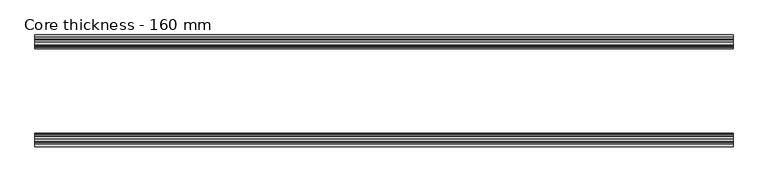
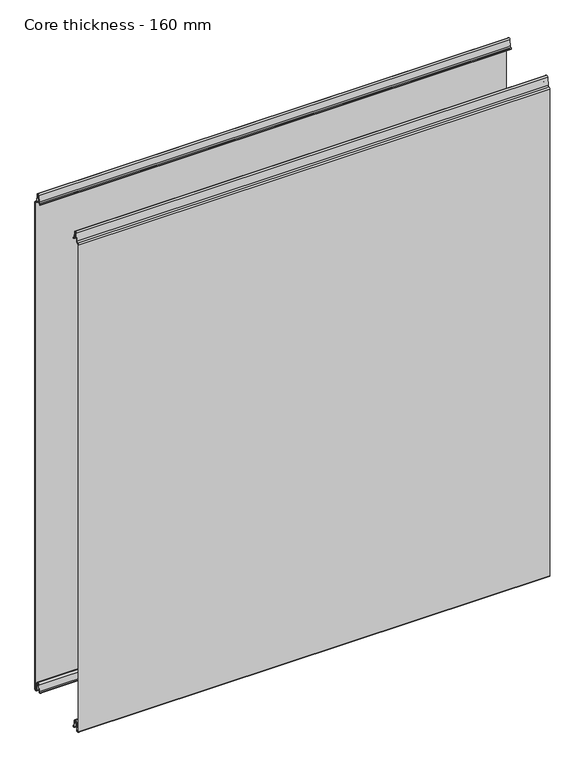
"""IFC4 building model written with IfcOpenShell, lengths in millimetres: plate geometry, Core thickness - 160 mm."""

import ifcopenshell
import ifcopenshell.guid

model = None  # the IFC model being written
_history = None  # IfcOwnerHistory: only IFC2X3 demands one
_inside = {}  # id of a spatial element -> (the spatial element, [elements in it])
_under = {}  # id of a project, library or spatial element -> (it, [spatial elements below it])
_declared = {}  # id of a project -> (the project, [libraries it declares])
_typed = {}  # id of a type object -> (the type object, [elements of that type])
_made_of = {}  # id of a material, layer set ... -> (it, [elements and type objects made of it])


def new_model(schema):
    """Start an empty IFC model of exactly this schema.

    Asked for "IFC4X3", IfcOpenShell would pick the latest addendum, in which some entities
    have other attributes; the version numbers below select the first issue.
    IFC2X3 requires an IfcOwnerHistory on every rooted entity: one is made here for all.
    """
    global model, _history
    if schema == "IFC4X3":
        model = ifcopenshell.file(schema_version=(4, 3, 0, 0))
    else:
        model = ifcopenshell.file(schema=schema)
    _inside.clear()
    _under.clear()
    _declared.clear()
    _typed.clear()
    _made_of.clear()
    _history = None
    if model.schema == "IFC2X3":
        org = make("IfcOrganization", Name="unknown")
        user = make(
            "IfcPersonAndOrganization",
            ThePerson=make("IfcPerson", FamilyName="unknown"),
            TheOrganization=org,
        )
        app = make(
            "IfcApplication",
            ApplicationDeveloper=org,
            Version="unknown",
            ApplicationFullName="unknown",
            ApplicationIdentifier="unknown",
        )
        _history = make(
            "IfcOwnerHistory",
            OwningUser=user,
            OwningApplication=app,
            ChangeAction="ADDED",
            CreationDate=0,
        )
    return model


def make(cls, **values):
    """One entity of the class cls with the attributes given. An attribute that is None is left unset."""
    return model.create_entity(
        cls, **{name: value for name, value in values.items() if value is not None}
    )


def rooted(cls, **values):
    """An entity with a GlobalId (a new one), such as an element, a storey or a relation."""
    return make(cls, GlobalId=ifcopenshell.guid.new(), OwnerHistory=_history, **values)


def si_unit(unit_type, name, prefix=None):
    """IfcSIUnit, for example si_unit("LENGTHUNIT", "METRE", prefix="MILLI")."""
    return make("IfcSIUnit", UnitType=unit_type, Prefix=prefix, Name=name)


def assignment(units):
    """IfcUnitAssignment: the units of a project."""
    return None if units is None else make("IfcUnitAssignment", Units=units)


def point(xyz):
    """IfcCartesianPoint."""
    return None if xyz is None else make("IfcCartesianPoint", Coordinates=xyz)


def direction(xyz):
    """IfcDirection."""
    return None if xyz is None else make("IfcDirection", DirectionRatios=xyz)


def frame(location, z_axis=None, x_axis=None):
    """IfcAxis2Placement3D, a coordinate frame: its origin and axes. An axis left out is left unset."""
    return make(
        "IfcAxis2Placement3D",
        Location=point(location),
        Axis=direction(z_axis),
        RefDirection=direction(x_axis),
    )


def origin():
    """The frame at (0, 0, 0) with its axes left unset."""
    return frame((0.0, 0.0, 0.0))


def place(relative_to, where):
    """IfcLocalPlacement: puts the frame where relative to a parent placement (None: the world)."""
    return make(
        "IfcLocalPlacement", PlacementRelTo=relative_to, RelativePlacement=where
    )


def context(
    kind, dimensions, precision=None, world=None, true_north=None, identifier=None
):
    """IfcGeometricRepresentationContext, for example the 3D "Model" context."""
    return make(
        "IfcGeometricRepresentationContext",
        ContextIdentifier=identifier,
        ContextType=kind,
        CoordinateSpaceDimension=dimensions,
        Precision=precision,
        WorldCoordinateSystem=world,
        TrueNorth=true_north,
    )


def project(units=None, contexts=None):
    """IfcProject with its units and contexts."""
    return rooted(
        "IfcProject",
        Name="project",
        RepresentationContexts=contexts,
        UnitsInContext=assignment(units),
    )


def spatial(cls, under=None, at=None, **own):
    """A site, building, storey or space (cls), placed at a placement, below another one or the project."""
    s = rooted(cls, ObjectPlacement=at, **own)
    if under is not None:
        _under.setdefault(under.id(), (under, []))[1].append(s)
    return s


def polyline(points):
    """IfcPolyline through the points."""
    return make("IfcPolyline", Points=[point(p) for p in points])


def circle_curve(where, radius):
    """IfcCircle in the frame where."""
    return make("IfcCircle", Position=where, Radius=radius)


def shape(context_of_items, identifier, shape_type, items):
    """IfcShapeRepresentation: the items that make up one representation, for example the "Body"."""
    return make(
        "IfcShapeRepresentation",
        ContextOfItems=context_of_items,
        RepresentationIdentifier=identifier,
        RepresentationType=shape_type,
        Items=items,
    )


def source(mapping_origin, context_of_items, identifier, shape_type, items):
    """IfcRepresentationMap: a shape defined once, which mapped items show again and again."""
    return make(
        "IfcRepresentationMap",
        MappingOrigin=mapping_origin,
        MappedRepresentation=shape(context_of_items, identifier, shape_type, items),
    )


def transform(
    local_origin,
    x_axis=None,
    y_axis=None,
    z_axis=None,
    scale=None,
    scale2=None,
    scale3=None,
    uniform=True,
):
    """IfcCartesianTransformationOperator3D, or its non-uniform kind. x_axis, y_axis, z_axis: its Axis1, 2, 3."""
    if uniform:
        return make(
            "IfcCartesianTransformationOperator3D",
            Axis1=direction(x_axis),
            Axis2=direction(y_axis),
            LocalOrigin=point(local_origin),
            Scale=scale,
            Axis3=direction(z_axis),
        )
    return make(
        "IfcCartesianTransformationOperator3DnonUniform",
        Axis1=direction(x_axis),
        Axis2=direction(y_axis),
        LocalOrigin=point(local_origin),
        Scale=scale,
        Axis3=direction(z_axis),
        Scale2=scale2,
        Scale3=scale3,
    )


def mapped(mapping_source, mapping_target):
    """IfcMappedItem: shows the shape of a source again, moved by a transform."""
    return make(
        "IfcMappedItem", MappingSource=mapping_source, MappingTarget=mapping_target
    )


def made_of(thing, what):
    """Note that an element or type object is made of a material, layer set ...; save() writes the relation."""
    if what is not None:
        _made_of.setdefault(what.id(), (what, []))[1].append(thing)
    return thing


def element(
    cls,
    number,
    at=None,
    inside=None,
    cuts=None,
    type_object=None,
    material=None,
    context=None,
    identifier="Body",
    shape_type=None,
    held_by="IfcProductDefinitionShape",
    body=None,
    shapes=None,
    **own,
):
    """One element of the class cls, such as IfcWall. Its Tag is "e" and its number.

    at: its placement. inside: the storey or other place that contains it. cuts: it is an
    opening in that element (IfcRelVoidsElement). A single representation is given by context,
    identifier, shape_type and body (its items); several are given by shapes. held_by: the class
    of the entity that holds the representations. save() writes the other relations.
    """
    e = rooted(cls, Tag="e%d" % number, ObjectPlacement=at, **own)
    if body is not None:
        shapes = [shape(context, identifier, shape_type, body)]
    if shapes is not None:
        e.Representation = make(held_by, Representations=shapes)
    if inside is not None:
        _inside.setdefault(inside.id(), (inside, []))[1].append(e)
    if cuts is not None:
        rooted(
            "IfcRelVoidsElement", RelatingBuildingElement=cuts, RelatedOpeningElement=e
        )
    if type_object is not None:
        _typed.setdefault(type_object.id(), (type_object, []))[1].append(e)
    return made_of(e, material)


def aggregate(whole, parts):
    """IfcRelAggregates: a whole, such as a stair, and the parts it consists of."""
    return rooted("IfcRelAggregates", RelatingObject=whole, RelatedObjects=parts)


def save(model, path):
    """Write the relations noted so far, then the file.

    IfcRelAggregates (storeys below a building ...), IfcRelContainedInSpatialStructure (elements
    in a storey), IfcRelDefinesByType, IfcRelAssociatesMaterial and IfcRelDeclares: one each for
    every whole, place, type object, material and project.
    """
    for whole, parts in _under.values():
        aggregate(whole, parts)
    for where, things in _inside.values():
        rooted(
            "IfcRelContainedInSpatialStructure",
            RelatedElements=things,
            RelatingStructure=where,
        )
    for kind, things in _typed.values():
        rooted("IfcRelDefinesByType", RelatedObjects=things, RelatingType=kind)
    for what, things in _made_of.values():
        rooted("IfcRelAssociatesMaterial", RelatedObjects=things, RelatingMaterial=what)
    for by, libraries in _declared.values():
        rooted("IfcRelDeclares", RelatingContext=by, RelatedDefinitions=libraries)
    model.write(path)


def plane_surface(at):
    """IfcPlane: the flat surface through the origin of the frame at, square to its z axis."""
    return make("IfcPlane", Position=at)


def cylinder_surface(at, radius):
    """IfcCylindricalSurface: all points at the distance radius from the z axis of the frame at."""
    return make("IfcCylindricalSurface", Position=at, Radius=radius)


def revolved_surface(curve, axis_point, axis_direction):
    """IfcSurfaceOfRevolution: the curve turned about the line through axis_point along axis_direction."""
    return make(
        "IfcSurfaceOfRevolution",
        SweptCurve=make("IfcArbitraryOpenProfileDef", ProfileType="CURVE", Curve=curve),
        AxisPosition=make("IfcAxis1Placement", Location=point(axis_point), Axis=direction(axis_direction)),
    )


def advanced_brep(points, edges, surfaces, faces):
    """IfcAdvancedBrep: a solid bounded by faces that lie on surfaces and meet in shared edges.

    An edge is (start, end): straight between two places in points (the first is 0);
    or (start, end, curve); or (start, end, curve, False) where it runs against its curve.
    A face is (place in surfaces, loops), or (place, loops, False) where it looks against
    its surface's normal. A loop lists edges by number (the first is 1), with a minus sign
    where the edge is run from its end to its start. The first loop is the outer one.
    """
    corners = [point(p) for p in points]
    vertices = [make("IfcVertexPoint", VertexGeometry=c) for c in corners]
    made = []
    for start, end, *more in edges:
        made.append(
            make(
                "IfcEdgeCurve",
                EdgeStart=vertices[start],
                EdgeEnd=vertices[end],
                EdgeGeometry=more[0] if more else make("IfcPolyline", Points=[corners[start], corners[end]]),
                SameSense=more[1] if len(more) > 1 else True,
            )
        )
    hull = []
    for where, loops, *sense in faces:
        bounds = []
        for j, loop in enumerate(loops):
            ring = [make("IfcOrientedEdge", EdgeElement=made[abs(k) - 1], Orientation=k > 0) for k in loop]
            bounds.append(
                make(
                    "IfcFaceOuterBound" if j == 0 else "IfcFaceBound",
                    Bound=make("IfcEdgeLoop", EdgeList=ring),
                    Orientation=True,
                )
            )
        hull.append(make("IfcAdvancedFace", Bounds=bounds, FaceSurface=surfaces[where], SameSense=sense[0] if sense else True))
    return make("IfcAdvancedBrep", Outer=make("IfcClosedShell", CfsFaces=hull))


def core_thickness_160_mm_ad430800(model_context):
    return source(origin(), model_context, "Body", "AdvancedBrep", [
        advanced_brep(
        [(500.0000002, -159.1996949, 1093.8000005), (500.0000002, -156.6339815, 1096.1942726), (500.0000002, -153.1209335, 1099.1779769), (500.0000002, -151.4584333, 1116.1334653), (500.0000002, -149.1776715, 1118.1999998), (500.0000002, -146.8969097, 1116.1334653), (500.0000002, -145.5642071, 1102.5415123), (500.0000002, -142.9766159, 1100.1952279), (500.0000002, -141.8996949, 1100.1952279), (500.0000002, -141.2996949, 1099.5952279), (500.0000002, -141.2996949, 1098.4952279), (500.0000002, -140.4996949, 1098.4952279), (500.0000002, -140.4996949, 1099.5952279), (500.0000002, -141.8996949, 1100.9952279), (500.0000002, -142.9766159, 1100.9952279), (500.0000002, -144.7680252, 1102.6195786), (500.0000002, -146.1007278, 1116.2115316), (500.0000002, -149.1776715, 1119.0), (500.0000002, -152.2546153, 1116.2115316), (500.0000002, -153.9171154, 1099.2560432), (500.0000002, -156.5778021, 1097.005967), (500.0000002, -159.9996949, 1093.8000005), (500.0000002, -159.9996949, 2.9900682), (500.0000002, -153.81449, 2.6875612), (500.0000002, -152.197116, 19.1828169), (500.0000002, -149.1776715, 21.8898782), (500.0000002, -146.1582271, 19.1828169), (500.0000002, -144.7725998, 5.0510966), (500.0000002, -140.3830995, 5.265779), (500.0000002, -141.1830995, 5.265779), (500.0000002, -143.9764178, 5.1291629), (500.0000002, -145.3620451, 19.2608832), (500.0000002, -149.1776715, 22.6899182), (500.0000002, -152.9932979, 19.2608832), (500.0000002, -154.6106719, 2.7656275), (500.0000002, -159.1996949, 2.9900682), (-500.0000002, -159.2, 1093.8000005), (-500.0000002, -159.2, 2.9900682), (-500.0000002, -154.6106719, 2.7656275), (-500.0000002, -152.9932979, 19.2608832), (-500.0000002, -149.1776715, 22.6899182), (-500.0000002, -145.3620451, 19.2608832), (-500.0000002, -143.9764178, 5.1291629), (-500.0000002, -141.1830995, 5.265779), (-500.0000002, -140.3830995, 5.265779), (-500.0000002, -144.7725998, 5.0510966), (-500.0000002, -146.1582271, 19.1828169), (-500.0000002, -149.1776715, 21.8898782), (-500.0000002, -152.197116, 19.1828169), (-500.0000002, -153.81449, 2.6875612), (-500.0000002, -159.9996949, 2.9900682), (-500.0000002, -159.9996949, 1093.8000005), (-500.0000002, -156.5787437, 1096.9923633), (-500.0000002, -153.9171154, 1099.2560432), (-500.0000002, -152.2546153, 1116.2115316), (-500.0000002, -149.1776715, 1119.0), (-500.0000002, -146.1007278, 1116.2115316), (-500.0000002, -144.7680252, 1102.6195786), (-500.0000002, -142.9766159, 1100.9952279), (-500.0000002, -141.8996949, 1100.9952279), (-500.0000002, -140.4996949, 1099.5952279), (-500.0000002, -140.4996949, 1098.4952279), (-500.0000002, -141.2996949, 1098.4952279), (-500.0000002, -141.2996949, 1099.5952279), (-500.0000002, -141.8996949, 1100.1952279), (-500.0000002, -142.9766159, 1100.1952279), (-500.0000002, -145.5642071, 1102.5415123), (-500.0000002, -146.8969097, 1116.1334653), (-500.0000002, -149.1776715, 1118.1999998), (-500.0000002, -151.4584333, 1116.1334653), (-500.0000002, -153.1209335, 1099.1779769), (-500.0000002, -156.6330399, 1096.2078763)],
        [
            (0, 1, circle_curve(frame((500.0000002, -156.7996949, 1093.8000005), z_axis=(-1.0, 0.0, 0.0), x_axis=(0.0, 0.0, -1.0)), 2.4)),
            (1, 2, circle_curve(frame((500.0000002, -156.4051839, 1099.5000005), z_axis=(1.0, 0.0, 0.0), x_axis=(0.0, 0.0, -1.0)), 3.3)),
            (2, 3),
            (3, 4, circle_curve(frame((500.0000002, -149.1793626, 1115.9100005), z_axis=(-1.0, 0.0, 0.0), x_axis=(0.0, 0.0, -1.0)), 2.29)),
            (4, 5, circle_curve(frame((500.0000002, -149.1759805, 1115.9100005), z_axis=(-1.0, 0.0, 0.0), x_axis=(0.0, 0.0, -1.0)), 2.29)),
            (5, 6),
            (6, 7, circle_curve(frame((500.0000002, -142.9766159, 1102.7952279), z_axis=(1.0, 0.0, 0.0), x_axis=(0.0, 0.0, -1.0)), 2.6)),
            (7, 8),
            (8, 9, circle_curve(frame((500.0000002, -141.8996949, 1099.5952279), z_axis=(-1.0, 0.0, 0.0), x_axis=(0.0, 0.0, -1.0)), 0.6)),
            (9, 10),
            (10, 11),
            (11, 12),
            (12, 13, circle_curve(frame((500.0000002, -141.8996949, 1099.5952279), z_axis=(1.0, 0.0, 0.0), x_axis=(0.0, 0.0, -1.0)), 1.4)),
            (13, 14),
            (14, 15, circle_curve(frame((500.0000002, -142.9766159, 1102.7952279), z_axis=(-1.0, 0.0, 0.0), x_axis=(0.0, 0.0, -1.0)), 1.8)),
            (15, 16),
            (16, 17, circle_curve(frame((500.0000002, -149.1759805, 1115.9100005), z_axis=(1.0, 0.0, 0.0), x_axis=(0.0, 0.0, -1.0)), 3.09)),
            (17, 18, circle_curve(frame((500.0000002, -149.1793626, 1115.9100005), z_axis=(1.0, 0.0, 0.0), x_axis=(0.0, 0.0, -1.0)), 3.09)),
            (18, 19),
            (19, 20, circle_curve(frame((500.0000002, -156.4051839, 1099.5000005), z_axis=(-1.0, 0.0, 0.0), x_axis=(0.0, 0.0, -1.0)), 2.5)),
            (20, 21, circle_curve(frame((500.0000002, -156.7996949, 1093.8000005), z_axis=(1.0, 0.0, 0.0), x_axis=(0.0, 0.0, -1.0)), 3.2)),
            (21, 22),
            (22, 23, circle_curve(frame((500.0000002, -156.8996949, 2.9900682), z_axis=(1.0, 0.0, 0.0), x_axis=(0.0, 0.0, -1.0)), 3.1)),
            (23, 24),
            (24, 25, circle_curve(frame((500.0000002, -149.2114338, 18.8900682), z_axis=(-1.0, 0.0, 0.0), x_axis=(0.0, 0.0, -1.0)), 3.0)),
            (25, 26, circle_curve(frame((500.0000002, -149.1439093, 18.8900682), z_axis=(-1.0, 0.0, 0.0), x_axis=(0.0, 0.0, -1.0)), 3.0)),
            (26, 27),
            (27, 28, circle_curve(frame((500.0000002, -142.5830995, 5.265779), z_axis=(1.0, 0.0, 0.0), x_axis=(0.0, 0.0, -1.0)), 2.2)),
            (28, 29),
            (29, 30, circle_curve(frame((500.0000002, -142.5830995, 5.265779), z_axis=(-1.0, 0.0, 0.0), x_axis=(0.0, 0.0, -1.0)), 1.4)),
            (30, 31),
            (31, 32, circle_curve(frame((500.0000002, -149.1439093, 18.8900682), z_axis=(1.0, 0.0, 0.0), x_axis=(0.0, 0.0, -1.0)), 3.8)),
            (32, 33, circle_curve(frame((500.0000002, -149.2114338, 18.8900682), z_axis=(1.0, 0.0, 0.0), x_axis=(0.0, 0.0, -1.0)), 3.8)),
            (33, 34),
            (34, 35, circle_curve(frame((500.0000002, -156.8996949, 2.9900682), z_axis=(-1.0, 0.0, 0.0), x_axis=(0.0, 0.0, -1.0)), 2.3)),
            (35, 0),
            (36, 37),
            (37, 38, circle_curve(frame((-500.0000002, -156.8996949, 2.9900682), z_axis=(1.0, 0.0, 0.0), x_axis=(0.0, 0.0, -1.0)), 2.3)),
            (38, 39),
            (39, 40, circle_curve(frame((-500.0000002, -149.2114338, 18.8900682), z_axis=(-1.0, 0.0, 0.0), x_axis=(0.0, 0.0, -1.0)), 3.8)),
            (40, 41, circle_curve(frame((-500.0000002, -149.1439093, 18.8900682), z_axis=(-1.0, 0.0, 0.0), x_axis=(0.0, 0.0, -1.0)), 3.8)),
            (41, 42),
            (42, 43, circle_curve(frame((-500.0000002, -142.5830995, 5.265779), z_axis=(1.0, 0.0, 0.0), x_axis=(0.0, 0.0, -1.0)), 1.4)),
            (43, 44),
            (44, 45, circle_curve(frame((-500.0000002, -142.5830995, 5.265779), z_axis=(-1.0, 0.0, 0.0), x_axis=(0.0, 0.0, -1.0)), 2.2)),
            (45, 46),
            (46, 47, circle_curve(frame((-500.0000002, -149.1439093, 18.8900682), z_axis=(1.0, 0.0, 0.0), x_axis=(0.0, 0.0, -1.0)), 3.0)),
            (47, 48, circle_curve(frame((-500.0000002, -149.2114338, 18.8900682), z_axis=(1.0, 0.0, 0.0), x_axis=(0.0, 0.0, -1.0)), 3.0)),
            (48, 49),
            (49, 50, circle_curve(frame((-500.0000002, -156.8996949, 2.9900682), z_axis=(-1.0, 0.0, 0.0), x_axis=(0.0, 0.0, -1.0)), 3.1)),
            (50, 51),
            (51, 52, circle_curve(frame((-500.0000002, -156.7996949, 1093.8000005), z_axis=(-1.0, 0.0, 0.0), x_axis=(0.0, 0.0, -1.0)), 3.2)),
            (52, 53, circle_curve(frame((-500.0000002, -156.4051839, 1099.5000005), z_axis=(1.0, 0.0, 0.0), x_axis=(0.0, 0.0, -1.0)), 2.5)),
            (53, 54),
            (54, 55, circle_curve(frame((-500.0000002, -149.1793626, 1115.9100005), z_axis=(-1.0, 0.0, 0.0), x_axis=(0.0, 0.0, -1.0)), 3.09)),
            (55, 56, circle_curve(frame((-500.0000002, -149.1759805, 1115.9100005), z_axis=(-1.0, 0.0, 0.0), x_axis=(0.0, 0.0, -1.0)), 3.09)),
            (56, 57),
            (57, 58, circle_curve(frame((-500.0000002, -142.9766159, 1102.7952279), z_axis=(1.0, 0.0, 0.0), x_axis=(0.0, 0.0, -1.0)), 1.8)),
            (58, 59),
            (59, 60, circle_curve(frame((-500.0000002, -141.8996949, 1099.5952279), z_axis=(-1.0, 0.0, 0.0), x_axis=(0.0, 0.0, -1.0)), 1.4)),
            (60, 61),
            (61, 62),
            (62, 63),
            (63, 64, circle_curve(frame((-500.0000002, -141.8996949, 1099.5952279), z_axis=(1.0, 0.0, 0.0), x_axis=(0.0, 0.0, -1.0)), 0.6)),
            (64, 65),
            (65, 66, circle_curve(frame((-500.0000002, -142.9766159, 1102.7952279), z_axis=(-1.0, 0.0, 0.0), x_axis=(0.0, 0.0, -1.0)), 2.6)),
            (66, 67),
            (67, 68, circle_curve(frame((-500.0000002, -149.1759805, 1115.9100005), z_axis=(1.0, 0.0, 0.0), x_axis=(0.0, 0.0, -1.0)), 2.29)),
            (68, 69, circle_curve(frame((-500.0000002, -149.1793626, 1115.9100005), z_axis=(1.0, 0.0, 0.0), x_axis=(0.0, 0.0, -1.0)), 2.29)),
            (69, 70),
            (70, 71, circle_curve(frame((-500.0000002, -156.4051839, 1099.5000005), z_axis=(-1.0, 0.0, 0.0), x_axis=(0.0, 0.0, -1.0)), 3.3)),
            (71, 36, circle_curve(frame((-500.0000002, -156.7996949, 1093.8000005), z_axis=(1.0, 0.0, 0.0), x_axis=(0.0, 0.0, -1.0)), 2.4)),
            (35, 37),
            (36, 0),
            (21, 51),
            (50, 22),
            (20, 52),
            (19, 53),
            (18, 54),
            (17, 55),
            (16, 56),
            (15, 57),
            (14, 58),
            (13, 59),
            (12, 60),
            (11, 61),
            (10, 62),
            (9, 63),
            (8, 64),
            (7, 65),
            (6, 66),
            (5, 67),
            (4, 68),
            (3, 69),
            (2, 70),
            (1, 71),
            (34, 38),
            (33, 39),
            (32, 40),
            (31, 41),
            (30, 42),
            (29, 43),
            (28, 44),
            (27, 45),
            (26, 46),
            (25, 47),
            (24, 48),
            (23, 49),
        ],
        [
            plane_surface(frame((500.0000002, -160.0, 0.0), z_axis=(1.0, 0.0, 0.0), x_axis=(0.0, 1.0, 0.0))),
            plane_surface(frame((-500.0000002, -160.0, 0.0), z_axis=(-1.0, 0.0, 0.0), x_axis=(0.0, 1.0, 0.0))),
            plane_surface(frame((500.0000002, -159.2, 2.9900682), z_axis=(0.0, 1.0, 0.0), x_axis=(-1.0, 0.0, 0.0))),
            plane_surface(frame((500.0000002, -159.9996949, 1093.8000005), z_axis=(0.0, -1.0, 0.0), x_axis=(-1.0, 0.0, 0.0))),
            cylinder_surface(frame((500.0000002, -156.7996949, 1093.8000005), z_axis=(1.0, 0.0, 0.0), x_axis=(0.0, 0.0, -1.0)), 3.2),
            revolved_surface(polyline([(-500.0000002, -156.4051839, 1097.0000005), (500.0000002, -156.4051839, 1097.0000005)]), (500.0000002, -156.4051839, 1099.5000005), (-1.0, 0.0, 0.0)),
            plane_surface(frame((500.0000002, -152.2546153, 1116.2115316), z_axis=(0.0, -0.9952273999818317, 0.0975828997591444), x_axis=(-1.0, 0.0, 0.0))),
            cylinder_surface(frame((500.0000002, -149.1793626, 1115.9100005), z_axis=(1.0, 0.0, 0.0), x_axis=(0.0, 0.0, -1.0)), 3.09),
            cylinder_surface(frame((500.0000002, -149.1759805, 1115.9100005), z_axis=(1.0, 0.0, 0.0), x_axis=(0.0, 0.0, -1.0)), 3.09),
            plane_surface(frame((500.0000002, -144.7680252, 1102.6195786), z_axis=(0.0, 0.9952273999818314, 0.0975828997591471), x_axis=(-1.0, 0.0, 0.0))),
            revolved_surface(polyline([(-500.0000002, -142.9766159, 1100.9952279000001), (500.0000002, -142.9766159, 1100.9952279000001)]), (500.0000002, -142.9766159, 1102.7952279), (-1.0, 0.0, 0.0)),
            plane_surface(frame((500.0000002, -141.8996949, 1100.9952279), z_axis=(0.0, 0.0, 1.0), x_axis=(-1.0, 0.0, 0.0))),
            cylinder_surface(frame((500.0000002, -141.8996949, 1099.5952279), z_axis=(1.0, 0.0, 0.0), x_axis=(0.0, 0.0, -1.0)), 1.4),
            plane_surface(frame((500.0000002, -140.4996949, 1098.4952279), z_axis=(0.0, 1.0, 0.0), x_axis=(-1.0, 0.0, 0.0))),
            plane_surface(frame((500.0000002, -141.2996949, 1098.4952279), z_axis=(0.0, 0.0, -1.0), x_axis=(-1.0, 0.0, 0.0))),
            plane_surface(frame((500.0000002, -141.2996949, 1099.5952279), z_axis=(0.0, -1.0, 0.0), x_axis=(-1.0, 0.0, 0.0))),
            revolved_surface(polyline([(-500.0000002, -141.8996949, 1098.9952279000001), (500.0000002, -141.8996949, 1098.9952279000001)]), (500.0000002, -141.8996949, 1099.5952279), (-1.0, 0.0, 0.0)),
            plane_surface(frame((500.0000002, -142.9766159, 1100.1952279), z_axis=(0.0, 0.0, -1.0), x_axis=(-1.0, 0.0, 0.0))),
            cylinder_surface(frame((500.0000002, -142.9766159, 1102.7952279), z_axis=(1.0, 0.0, 0.0), x_axis=(0.0, 0.0, -1.0)), 2.6),
            plane_surface(frame((500.0000002, -146.8969097, 1116.1334653), z_axis=(0.0, -0.9952273999818314, -0.09758289975914705), x_axis=(-1.0, 0.0, 0.0))),
            revolved_surface(polyline([(-500.0000002, -149.1759805, 1113.6200005), (500.0000002, -149.1759805, 1113.6200005)]), (500.0000002, -149.1759805, 1115.9100005), (-1.0, 0.0, 0.0)),
            revolved_surface(polyline([(-500.0000002, -149.1793626, 1113.6200005), (500.0000002, -149.1793626, 1113.6200005)]), (500.0000002, -149.1793626, 1115.9100005), (-1.0, 0.0, 0.0)),
            plane_surface(frame((500.0000002, -153.1209335, 1099.1779769), z_axis=(0.0, 0.9952273999818317, -0.09758289975914436), x_axis=(-1.0, 0.0, 0.0))),
            cylinder_surface(frame((500.0000002, -156.4051839, 1099.5000005), z_axis=(1.0, 0.0, 0.0), x_axis=(0.0, 0.0, -1.0)), 3.3),
            revolved_surface(polyline([(-500.0000002, -156.7996949, 1091.4000004999998), (500.0000002, -156.7996949, 1091.4000004999998)]), (500.0000002, -156.7996949, 1093.8000005), (-1.0, 0.0, 0.0)),
            revolved_surface(polyline([(-500.0000002, -156.8996949, 0.6900682000000002), (500.0000002, -156.8996949, 0.6900682000000002)]), (500.0000002, -156.8996949, 2.9900682), (-1.0, 0.0, 0.0)),
            plane_surface(frame((500.0000002, -152.9932979, 19.2608832), z_axis=(0.0, -0.9952273999818314, 0.09758289975914787), x_axis=(-1.0, 0.0, 0.0))),
            cylinder_surface(frame((500.0000002, -149.2114338, 18.8900682), z_axis=(1.0, 0.0, 0.0), x_axis=(0.0, 0.0, -1.0)), 3.8),
            cylinder_surface(frame((500.0000002, -149.1439093, 18.8900682), z_axis=(1.0, 0.0, 0.0), x_axis=(0.0, 0.0, -1.0)), 3.8),
            plane_surface(frame((500.0000002, -143.9764178, 5.1291629), z_axis=(0.0, 0.9952273999818297, 0.09758289975916531), x_axis=(-1.0, 0.0, 0.0))),
            revolved_surface(polyline([(-500.0000002, -142.5830995, 3.8657790000000003), (500.0000002, -142.5830995, 3.8657790000000003)]), (500.0000002, -142.5830995, 5.265779), (-1.0, 0.0, 0.0)),
            plane_surface(frame((500.0000002, -140.3830995, 5.265779), z_axis=(0.0, 0.0, 1.0), x_axis=(-1.0, 0.0, 0.0))),
            cylinder_surface(frame((500.0000002, -142.5830995, 5.265779), z_axis=(1.0, 0.0, 0.0), x_axis=(0.0, 0.0, -1.0)), 2.2),
            plane_surface(frame((500.0000002, -146.1582271, 19.1828169), z_axis=(0.0, -0.9952273999818296, -0.09758289975916527), x_axis=(-1.0, 0.0, 0.0))),
            revolved_surface(polyline([(-500.0000002, -149.1439093, 15.890068200000002), (500.0000002, -149.1439093, 15.890068200000002)]), (500.0000002, -149.1439093, 18.8900682), (-1.0, 0.0, 0.0)),
            revolved_surface(polyline([(-500.0000002, -149.2114338, 15.890068200000002), (500.0000002, -149.2114338, 15.890068200000002)]), (500.0000002, -149.2114338, 18.8900682), (-1.0, 0.0, 0.0)),
            plane_surface(frame((500.0000002, -153.81449, 2.6875612), z_axis=(0.0, 0.9952273999818314, -0.09758289975914787), x_axis=(-1.0, 0.0, 0.0))),
            cylinder_surface(frame((500.0000002, -156.8996949, 2.9900682), z_axis=(1.0, 0.0, 0.0), x_axis=(0.0, 0.0, -1.0)), 3.1),
        ],
        [
            (0, [[1, 2, 3, 4, 5, 6, 7, 8, 9, 10, 11, 12, 13, 14, 15, 16, 17, 18, 19, 20, 21, 22, 23, 24, 25, 26, 27, 28, 29, 30, 31, 32, 33, 34, 35, 36]]),
            (1, [[37, 38, 39, 40, 41, 42, 43, 44, 45, 46, 47, 48, 49, 50, 51, 52, 53, 54, 55, 56, 57, 58, 59, 60, 61, 62, 63, 64, 65, 66, 67, 68, 69, 70, 71, 72]]),
            (2, [[-36, 73, -37, 74]]),
            (3, [[-22, 75, -51, 76]]),
            (4, [[-21, 77, -52, -75]]),
            (5, [[-20, 78, -53, -77]]),
            (6, [[-19, 79, -54, -78]]),
            (7, [[-18, 80, -55, -79]]),
            (8, [[-17, 81, -56, -80]]),
            (9, [[-16, 82, -57, -81]]),
            (10, [[-15, 83, -58, -82]]),
            (11, [[-14, 84, -59, -83]]),
            (12, [[-13, 85, -60, -84]]),
            (13, [[-12, 86, -61, -85]]),
            (14, [[-11, 87, -62, -86]]),
            (15, [[-10, 88, -63, -87]]),
            (16, [[-9, 89, -64, -88]]),
            (17, [[-8, 90, -65, -89]]),
            (18, [[-7, 91, -66, -90]]),
            (19, [[-6, 92, -67, -91]]),
            (20, [[-5, 93, -68, -92]]),
            (21, [[-4, 94, -69, -93]]),
            (22, [[-3, 95, -70, -94]]),
            (23, [[-2, 96, -71, -95]]),
            (24, [[-1, -74, -72, -96]]),
            (25, [[-35, 97, -38, -73]]),
            (26, [[-34, 98, -39, -97]]),
            (27, [[-33, 99, -40, -98]]),
            (28, [[-32, 100, -41, -99]]),
            (29, [[-31, 101, -42, -100]]),
            (30, [[-30, 102, -43, -101]]),
            (31, [[-29, 103, -44, -102]]),
            (32, [[-28, 104, -45, -103]]),
            (33, [[-27, 105, -46, -104]]),
            (34, [[-26, 106, -47, -105]]),
            (35, [[-25, 107, -48, -106]]),
            (36, [[-24, 108, -49, -107]]),
            (37, [[-23, -76, -50, -108]]),
        ],
    ),
        advanced_brep(
        [(500.0000002, -0.8, 1093.8000005), (500.0000002, -0.8, 2.9900682), (500.0000002, -5.3893281, 2.7656275), (500.0000002, -7.0067021, 19.2608832), (500.0000002, -10.8223285, 22.6899182), (500.0000002, -14.6379549, 19.2608832), (500.0000002, -16.0235822, 5.1291629), (500.0000002, -18.8169005, 5.265779), (500.0000002, -19.6169005, 5.265779), (500.0000002, -15.2274002, 5.0510966), (500.0000002, -13.8417729, 19.1828169), (500.0000002, -10.8223285, 21.8898782), (500.0000002, -7.802884, 19.1828169), (500.0000002, -6.18551, 2.6875612), (500.0000002, -0.0003051, 2.9900682), (500.0000002, -0.0003051, 1093.8000005), (500.0000002, -3.4212563, 1096.9923633), (500.0000002, -6.0828846, 1099.2560432), (500.0000002, -7.7453847, 1116.2115316), (500.0000002, -10.8223285, 1119.0), (500.0000002, -13.8992722, 1116.2115316), (500.0000002, -15.2319748, 1102.6195786), (500.0000002, -17.0233841, 1100.9952279), (500.0000002, -18.1003051, 1100.9952279), (500.0000002, -19.5003051, 1099.5952279), (500.0000002, -19.5003051, 1098.4952279), (500.0000002, -18.7003051, 1098.4952279), (500.0000002, -18.7003051, 1099.5952279), (500.0000002, -18.1003051, 1100.1952279), (500.0000002, -17.0233841, 1100.1952279), (500.0000002, -14.4357929, 1102.5415123), (500.0000002, -13.1030903, 1116.1334653), (500.0000002, -10.8223285, 1118.1999998), (500.0000002, -8.5415667, 1116.1334653), (500.0000002, -6.8790665, 1099.1779769), (500.0000002, -3.3669601, 1096.2078763), (-500.0000002, -0.8003051, 1093.8000005), (-500.0000002, -3.3660185, 1096.1942726), (-500.0000002, -6.8790665, 1099.1779769), (-500.0000002, -8.5415667, 1116.1334653), (-500.0000002, -10.8223285, 1118.1999998), (-500.0000002, -13.1030903, 1116.1334653), (-500.0000002, -14.4357929, 1102.5415123), (-500.0000002, -17.0233841, 1100.1952279), (-500.0000002, -18.1003051, 1100.1952279), (-500.0000002, -18.7003051, 1099.5952279), (-500.0000002, -18.7003051, 1098.4952279), (-500.0000002, -19.5003051, 1098.4952279), (-500.0000002, -19.5003051, 1099.5952279), (-500.0000002, -18.1003051, 1100.9952279), (-500.0000002, -17.0233841, 1100.9952279), (-500.0000002, -15.2319748, 1102.6195786), (-500.0000002, -13.8992722, 1116.2115316), (-500.0000002, -10.8223285, 1119.0), (-500.0000002, -7.7453847, 1116.2115316), (-500.0000002, -6.0828846, 1099.2560432), (-500.0000002, -3.4221979, 1097.005967), (-500.0000002, -0.0003051, 1093.8000005), (-500.0000002, -0.0003051, 2.9900682), (-500.0000002, -6.18551, 2.6875612), (-500.0000002, -7.802884, 19.1828169), (-500.0000002, -10.8223285, 21.8898782), (-500.0000002, -13.8417729, 19.1828169), (-500.0000002, -15.2274002, 5.0510966), (-500.0000002, -19.6169005, 5.265779), (-500.0000002, -18.8169005, 5.265779), (-500.0000002, -16.0235822, 5.1291629), (-500.0000002, -14.6379549, 19.2608832), (-500.0000002, -10.8223285, 22.6899182), (-500.0000002, -7.0067021, 19.2608832), (-500.0000002, -5.3893281, 2.7656275), (-500.0000002, -0.8003051, 2.9900682)],
        [
            (0, 1),
            (1, 2, circle_curve(frame((500.0000002, -3.1003051, 2.9900682), z_axis=(-1.0, 0.0, 0.0), x_axis=(0.0, 0.0, -1.0)), 2.3)),
            (2, 3),
            (3, 4, circle_curve(frame((500.0000002, -10.7885662, 18.8900682), z_axis=(1.0, 0.0, 0.0), x_axis=(0.0, 0.0, -1.0)), 3.8)),
            (4, 5, circle_curve(frame((500.0000002, -10.8560907, 18.8900682), z_axis=(1.0, 0.0, 0.0), x_axis=(0.0, 0.0, -1.0)), 3.8)),
            (5, 6),
            (6, 7, circle_curve(frame((500.0000002, -17.4169005, 5.265779), z_axis=(-1.0, 0.0, 0.0), x_axis=(0.0, 0.0, -1.0)), 1.4)),
            (7, 8),
            (8, 9, circle_curve(frame((500.0000002, -17.4169005, 5.265779), z_axis=(1.0, 0.0, 0.0), x_axis=(0.0, 0.0, -1.0)), 2.2)),
            (9, 10),
            (10, 11, circle_curve(frame((500.0000002, -10.8560907, 18.8900682), z_axis=(-1.0, 0.0, 0.0), x_axis=(0.0, 0.0, -1.0)), 3.0)),
            (11, 12, circle_curve(frame((500.0000002, -10.7885662, 18.8900682), z_axis=(-1.0, 0.0, 0.0), x_axis=(0.0, 0.0, -1.0)), 3.0)),
            (12, 13),
            (13, 14, circle_curve(frame((500.0000002, -3.1003051, 2.9900682), z_axis=(1.0, 0.0, 0.0), x_axis=(0.0, 0.0, -1.0)), 3.1)),
            (14, 15),
            (15, 16, circle_curve(frame((500.0000002, -3.2003051, 1093.8000005), z_axis=(1.0, 0.0, 0.0), x_axis=(0.0, 0.0, -1.0)), 3.2)),
            (16, 17, circle_curve(frame((500.0000002, -3.5948161, 1099.5000005), z_axis=(-1.0, 0.0, 0.0), x_axis=(0.0, 0.0, -1.0)), 2.5)),
            (17, 18),
            (18, 19, circle_curve(frame((500.0000002, -10.8206374, 1115.9100005), z_axis=(1.0, 0.0, 0.0), x_axis=(0.0, 0.0, -1.0)), 3.09)),
            (19, 20, circle_curve(frame((500.0000002, -10.8240195, 1115.9100005), z_axis=(1.0, 0.0, 0.0), x_axis=(0.0, 0.0, -1.0)), 3.09)),
            (20, 21),
            (21, 22, circle_curve(frame((500.0000002, -17.0233841, 1102.7952279), z_axis=(-1.0, 0.0, 0.0), x_axis=(0.0, 0.0, -1.0)), 1.8)),
            (22, 23),
            (23, 24, circle_curve(frame((500.0000002, -18.1003051, 1099.5952279), z_axis=(1.0, 0.0, 0.0), x_axis=(0.0, 0.0, -1.0)), 1.4)),
            (24, 25),
            (25, 26),
            (26, 27),
            (27, 28, circle_curve(frame((500.0000002, -18.1003051, 1099.5952279), z_axis=(-1.0, 0.0, 0.0), x_axis=(0.0, 0.0, -1.0)), 0.6)),
            (28, 29),
            (29, 30, circle_curve(frame((500.0000002, -17.0233841, 1102.7952279), z_axis=(1.0, 0.0, 0.0), x_axis=(0.0, 0.0, -1.0)), 2.6)),
            (30, 31),
            (31, 32, circle_curve(frame((500.0000002, -10.8240195, 1115.9100005), z_axis=(-1.0, 0.0, 0.0), x_axis=(0.0, 0.0, -1.0)), 2.29)),
            (32, 33, circle_curve(frame((500.0000002, -10.8206374, 1115.9100005), z_axis=(-1.0, 0.0, 0.0), x_axis=(0.0, 0.0, -1.0)), 2.29)),
            (33, 34),
            (34, 35, circle_curve(frame((500.0000002, -3.5948161, 1099.5000005), z_axis=(1.0, 0.0, 0.0), x_axis=(0.0, 0.0, -1.0)), 3.3)),
            (35, 0, circle_curve(frame((500.0000002, -3.2003051, 1093.8000005), z_axis=(-1.0, 0.0, 0.0), x_axis=(0.0, 0.0, -1.0)), 2.4)),
            (36, 37, circle_curve(frame((-500.0000002, -3.2003051, 1093.8000005), z_axis=(1.0, 0.0, 0.0), x_axis=(0.0, 0.0, -1.0)), 2.4)),
            (37, 38, circle_curve(frame((-500.0000002, -3.5948161, 1099.5000005), z_axis=(-1.0, 0.0, 0.0), x_axis=(0.0, 0.0, -1.0)), 3.3)),
            (38, 39),
            (39, 40, circle_curve(frame((-500.0000002, -10.8206374, 1115.9100005), z_axis=(1.0, 0.0, 0.0), x_axis=(0.0, 0.0, -1.0)), 2.29)),
            (40, 41, circle_curve(frame((-500.0000002, -10.8240195, 1115.9100005), z_axis=(1.0, 0.0, 0.0), x_axis=(0.0, 0.0, -1.0)), 2.29)),
            (41, 42),
            (42, 43, circle_curve(frame((-500.0000002, -17.0233841, 1102.7952279), z_axis=(-1.0, 0.0, 0.0), x_axis=(0.0, 0.0, -1.0)), 2.6)),
            (43, 44),
            (44, 45, circle_curve(frame((-500.0000002, -18.1003051, 1099.5952279), z_axis=(1.0, 0.0, 0.0), x_axis=(0.0, 0.0, -1.0)), 0.6)),
            (45, 46),
            (46, 47),
            (47, 48),
            (48, 49, circle_curve(frame((-500.0000002, -18.1003051, 1099.5952279), z_axis=(-1.0, 0.0, 0.0), x_axis=(0.0, 0.0, -1.0)), 1.4)),
            (49, 50),
            (50, 51, circle_curve(frame((-500.0000002, -17.0233841, 1102.7952279), z_axis=(1.0, 0.0, 0.0), x_axis=(0.0, 0.0, -1.0)), 1.8)),
            (51, 52),
            (52, 53, circle_curve(frame((-500.0000002, -10.8240195, 1115.9100005), z_axis=(-1.0, 0.0, 0.0), x_axis=(0.0, 0.0, -1.0)), 3.09)),
            (53, 54, circle_curve(frame((-500.0000002, -10.8206374, 1115.9100005), z_axis=(-1.0, 0.0, 0.0), x_axis=(0.0, 0.0, -1.0)), 3.09)),
            (54, 55),
            (55, 56, circle_curve(frame((-500.0000002, -3.5948161, 1099.5000005), z_axis=(1.0, 0.0, 0.0), x_axis=(0.0, 0.0, -1.0)), 2.5)),
            (56, 57, circle_curve(frame((-500.0000002, -3.2003051, 1093.8000005), z_axis=(-1.0, 0.0, 0.0), x_axis=(0.0, 0.0, -1.0)), 3.2)),
            (57, 58),
            (58, 59, circle_curve(frame((-500.0000002, -3.1003051, 2.9900682), z_axis=(-1.0, 0.0, 0.0), x_axis=(0.0, 0.0, -1.0)), 3.1)),
            (59, 60),
            (60, 61, circle_curve(frame((-500.0000002, -10.7885662, 18.8900682), z_axis=(1.0, 0.0, 0.0), x_axis=(0.0, 0.0, -1.0)), 3.0)),
            (61, 62, circle_curve(frame((-500.0000002, -10.8560907, 18.8900682), z_axis=(1.0, 0.0, 0.0), x_axis=(0.0, 0.0, -1.0)), 3.0)),
            (62, 63),
            (63, 64, circle_curve(frame((-500.0000002, -17.4169005, 5.265779), z_axis=(-1.0, 0.0, 0.0), x_axis=(0.0, 0.0, -1.0)), 2.2)),
            (64, 65),
            (65, 66, circle_curve(frame((-500.0000002, -17.4169005, 5.265779), z_axis=(1.0, 0.0, 0.0), x_axis=(0.0, 0.0, -1.0)), 1.4)),
            (66, 67),
            (67, 68, circle_curve(frame((-500.0000002, -10.8560907, 18.8900682), z_axis=(-1.0, 0.0, 0.0), x_axis=(0.0, 0.0, -1.0)), 3.8)),
            (68, 69, circle_curve(frame((-500.0000002, -10.7885662, 18.8900682), z_axis=(-1.0, 0.0, 0.0), x_axis=(0.0, 0.0, -1.0)), 3.8)),
            (69, 70),
            (70, 71, circle_curve(frame((-500.0000002, -3.1003051, 2.9900682), z_axis=(1.0, 0.0, 0.0), x_axis=(0.0, 0.0, -1.0)), 2.3)),
            (71, 36),
            (35, 37),
            (36, 0),
            (34, 38),
            (33, 39),
            (32, 40),
            (31, 41),
            (30, 42),
            (29, 43),
            (28, 44),
            (27, 45),
            (26, 46),
            (25, 47),
            (24, 48),
            (23, 49),
            (22, 50),
            (21, 51),
            (20, 52),
            (19, 53),
            (18, 54),
            (17, 55),
            (16, 56),
            (15, 57),
            (14, 58),
            (71, 1),
            (13, 59),
            (12, 60),
            (11, 61),
            (10, 62),
            (9, 63),
            (8, 64),
            (7, 65),
            (6, 66),
            (5, 67),
            (4, 68),
            (3, 69),
            (2, 70),
        ],
        [
            plane_surface(frame((500.0000002, 0.0, 0.0), z_axis=(1.0, 0.0, 0.0), x_axis=(0.0, -1.0, 0.0))),
            plane_surface(frame((-500.0000002, 0.0, 0.0), z_axis=(-1.0, 0.0, 0.0), x_axis=(0.0, -1.0, 0.0))),
            revolved_surface(polyline([(-500.0000002, -3.2003051, 1091.4000004999998), (500.0000002, -3.2003051, 1091.4000004999998)]), (500.0000002, -3.2003051, 1093.8000005), (-1.0, 0.0, 0.0)),
            cylinder_surface(frame((500.0000002, -3.5948161, 1099.5000005), z_axis=(1.0, 0.0, 0.0), x_axis=(0.0, 0.0, -1.0)), 3.3),
            plane_surface(frame((500.0000002, -8.5415667, 1116.1334653), z_axis=(0.0, -0.9952273999818317, -0.09758289975914436), x_axis=(-1.0, 0.0, 0.0))),
            revolved_surface(polyline([(-500.0000002, -10.8206374, 1113.6200005), (500.0000002, -10.8206374, 1113.6200005)]), (500.0000002, -10.8206374, 1115.9100005), (-1.0, 0.0, 0.0)),
            revolved_surface(polyline([(-500.0000002, -10.8240195, 1113.6200005), (500.0000002, -10.8240195, 1113.6200005)]), (500.0000002, -10.8240195, 1115.9100005), (-1.0, 0.0, 0.0)),
            plane_surface(frame((500.0000002, -14.4357929, 1102.5415123), z_axis=(0.0, 0.9952273999818314, -0.09758289975914705), x_axis=(-1.0, 0.0, 0.0))),
            cylinder_surface(frame((500.0000002, -17.0233841, 1102.7952279), z_axis=(1.0, 0.0, 0.0), x_axis=(0.0, 0.0, -1.0)), 2.6),
            plane_surface(frame((500.0000002, -18.1003051, 1100.1952279), z_axis=(0.0, 0.0, -1.0), x_axis=(-1.0, 0.0, 0.0))),
            revolved_surface(polyline([(-500.0000002, -18.1003051, 1098.9952279000001), (500.0000002, -18.1003051, 1098.9952279000001)]), (500.0000002, -18.1003051, 1099.5952279), (-1.0, 0.0, 0.0)),
            plane_surface(frame((500.0000002, -18.7003051, 1098.4952279), z_axis=(0.0, 1.0, 0.0), x_axis=(-1.0, 0.0, 0.0))),
            plane_surface(frame((500.0000002, -19.5003051, 1098.4952279), z_axis=(0.0, 0.0, -1.0), x_axis=(-1.0, 0.0, 0.0))),
            plane_surface(frame((500.0000002, -19.5003051, 1099.5952279), z_axis=(0.0, -1.0, 0.0), x_axis=(-1.0, 0.0, 0.0))),
            cylinder_surface(frame((500.0000002, -18.1003051, 1099.5952279), z_axis=(1.0, 0.0, 0.0), x_axis=(0.0, 0.0, -1.0)), 1.4),
            plane_surface(frame((500.0000002, -17.0233841, 1100.9952279), z_axis=(0.0, 0.0, 1.0), x_axis=(-1.0, 0.0, 0.0))),
            revolved_surface(polyline([(-500.0000002, -17.0233841, 1100.9952279000001), (500.0000002, -17.0233841, 1100.9952279000001)]), (500.0000002, -17.0233841, 1102.7952279), (-1.0, 0.0, 0.0)),
            plane_surface(frame((500.0000002, -13.8992722, 1116.2115316), z_axis=(0.0, -0.9952273999818314, 0.0975828997591471), x_axis=(-1.0, 0.0, 0.0))),
            cylinder_surface(frame((500.0000002, -10.8240195, 1115.9100005), z_axis=(1.0, 0.0, 0.0), x_axis=(0.0, 0.0, -1.0)), 3.09),
            cylinder_surface(frame((500.0000002, -10.8206374, 1115.9100005), z_axis=(1.0, 0.0, 0.0), x_axis=(0.0, 0.0, -1.0)), 3.09),
            plane_surface(frame((500.0000002, -6.0828846, 1099.2560432), z_axis=(0.0, 0.9952273999818317, 0.0975828997591444), x_axis=(-1.0, 0.0, 0.0))),
            revolved_surface(polyline([(-500.0000002, -3.5948161, 1097.0000005), (500.0000002, -3.5948161, 1097.0000005)]), (500.0000002, -3.5948161, 1099.5000005), (-1.0, 0.0, 0.0)),
            cylinder_surface(frame((500.0000002, -3.2003051, 1093.8000005), z_axis=(1.0, 0.0, 0.0), x_axis=(0.0, 0.0, -1.0)), 3.2),
            plane_surface(frame((500.0000002, -0.0003051, 2.9900682), z_axis=(0.0, 1.0, 0.0), x_axis=(-1.0, 0.0, 0.0))),
            plane_surface(frame((500.0000002, -0.8, 1093.8000005), z_axis=(0.0, -1.0, 0.0), x_axis=(-1.0, 0.0, 0.0))),
            cylinder_surface(frame((500.0000002, -3.1003051, 2.9900682), z_axis=(1.0, 0.0, 0.0), x_axis=(0.0, 0.0, -1.0)), 3.1),
            plane_surface(frame((500.0000002, -7.802884, 19.1828169), z_axis=(0.0, -0.9952273999818314, -0.09758289975914787), x_axis=(-1.0, 0.0, 0.0))),
            revolved_surface(polyline([(-500.0000002, -10.7885662, 15.890068200000002), (500.0000002, -10.7885662, 15.890068200000002)]), (500.0000002, -10.7885662, 18.8900682), (-1.0, 0.0, 0.0)),
            revolved_surface(polyline([(-500.0000002, -10.8560907, 15.890068200000002), (500.0000002, -10.8560907, 15.890068200000002)]), (500.0000002, -10.8560907, 18.8900682), (-1.0, 0.0, 0.0)),
            plane_surface(frame((500.0000002, -15.2274002, 5.0510966), z_axis=(0.0, 0.9952273999818296, -0.09758289975916527), x_axis=(-1.0, 0.0, 0.0))),
            cylinder_surface(frame((500.0000002, -17.4169005, 5.265779), z_axis=(1.0, 0.0, 0.0), x_axis=(0.0, 0.0, -1.0)), 2.2),
            plane_surface(frame((500.0000002, -18.8169005, 5.265779), z_axis=(0.0, 0.0, 1.0), x_axis=(-1.0, 0.0, 0.0))),
            revolved_surface(polyline([(-500.0000002, -17.4169005, 3.8657790000000003), (500.0000002, -17.4169005, 3.8657790000000003)]), (500.0000002, -17.4169005, 5.265779), (-1.0, 0.0, 0.0)),
            plane_surface(frame((500.0000002, -14.6379549, 19.2608832), z_axis=(0.0, -0.9952273999818297, 0.09758289975916531), x_axis=(-1.0, 0.0, 0.0))),
            cylinder_surface(frame((500.0000002, -10.8560907, 18.8900682), z_axis=(1.0, 0.0, 0.0), x_axis=(0.0, 0.0, -1.0)), 3.8),
            cylinder_surface(frame((500.0000002, -10.7885662, 18.8900682), z_axis=(1.0, 0.0, 0.0), x_axis=(0.0, 0.0, -1.0)), 3.8),
            plane_surface(frame((500.0000002, -5.3893281, 2.7656275), z_axis=(0.0, 0.9952273999818314, 0.09758289975914787), x_axis=(-1.0, 0.0, 0.0))),
            revolved_surface(polyline([(-500.0000002, -3.1003051, 0.6900682000000002), (500.0000002, -3.1003051, 0.6900682000000002)]), (500.0000002, -3.1003051, 2.9900682), (-1.0, 0.0, 0.0)),
        ],
        [
            (0, [[1, 2, 3, 4, 5, 6, 7, 8, 9, 10, 11, 12, 13, 14, 15, 16, 17, 18, 19, 20, 21, 22, 23, 24, 25, 26, 27, 28, 29, 30, 31, 32, 33, 34, 35, 36]]),
            (1, [[37, 38, 39, 40, 41, 42, 43, 44, 45, 46, 47, 48, 49, 50, 51, 52, 53, 54, 55, 56, 57, 58, 59, 60, 61, 62, 63, 64, 65, 66, 67, 68, 69, 70, 71, 72]]),
            (2, [[-36, 73, -37, 74]]),
            (3, [[-35, 75, -38, -73]]),
            (4, [[-34, 76, -39, -75]]),
            (5, [[-33, 77, -40, -76]]),
            (6, [[-32, 78, -41, -77]]),
            (7, [[-31, 79, -42, -78]]),
            (8, [[-30, 80, -43, -79]]),
            (9, [[-29, 81, -44, -80]]),
            (10, [[-28, 82, -45, -81]]),
            (11, [[-27, 83, -46, -82]]),
            (12, [[-26, 84, -47, -83]]),
            (13, [[-25, 85, -48, -84]]),
            (14, [[-24, 86, -49, -85]]),
            (15, [[-23, 87, -50, -86]]),
            (16, [[-22, 88, -51, -87]]),
            (17, [[-21, 89, -52, -88]]),
            (18, [[-20, 90, -53, -89]]),
            (19, [[-19, 91, -54, -90]]),
            (20, [[-18, 92, -55, -91]]),
            (21, [[-17, 93, -56, -92]]),
            (22, [[-16, 94, -57, -93]]),
            (23, [[-15, 95, -58, -94]]),
            (24, [[-1, -74, -72, 96]]),
            (25, [[-14, 97, -59, -95]]),
            (26, [[-13, 98, -60, -97]]),
            (27, [[-12, 99, -61, -98]]),
            (28, [[-11, 100, -62, -99]]),
            (29, [[-10, 101, -63, -100]]),
            (30, [[-9, 102, -64, -101]]),
            (31, [[-8, 103, -65, -102]]),
            (32, [[-7, 104, -66, -103]]),
            (33, [[-6, 105, -67, -104]]),
            (34, [[-5, 106, -68, -105]]),
            (35, [[-4, 107, -69, -106]]),
            (36, [[-3, 108, -70, -107]]),
            (37, [[-2, -96, -71, -108]]),
        ],
    ),
    ])


if __name__ == "__main__":
    model = new_model("IFC4")
    model_context = context("Model", 3, world=origin())
    ifc_project = project(units=[si_unit("LENGTHUNIT", "METRE", prefix="MILLI")], contexts=[model_context])
    site = spatial("IfcSite", under=ifc_project)
    building = spatial("IfcBuilding", under=site)
    placement = place(None, origin())
    core_thickness_160_mm_shape = core_thickness_160_mm_ad430800(model_context)
    element("IfcPlate", 1, ObjectType="Core thickness - 160 mm", at=placement, inside=building, context=model_context, shape_type="MappedRepresentation", body=[
        mapped(core_thickness_160_mm_shape, transform((0.0, 0.0, 0.0), x_axis=(1.0, 0.0, 0.0), y_axis=(0.0, 1.0, 0.0), z_axis=(0.0, 0.0, 1.0))),
    ])
    save(model, "model.ifc")
